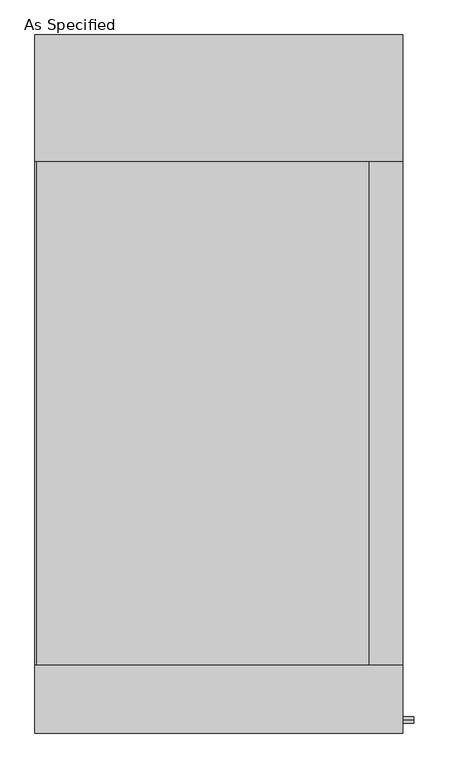
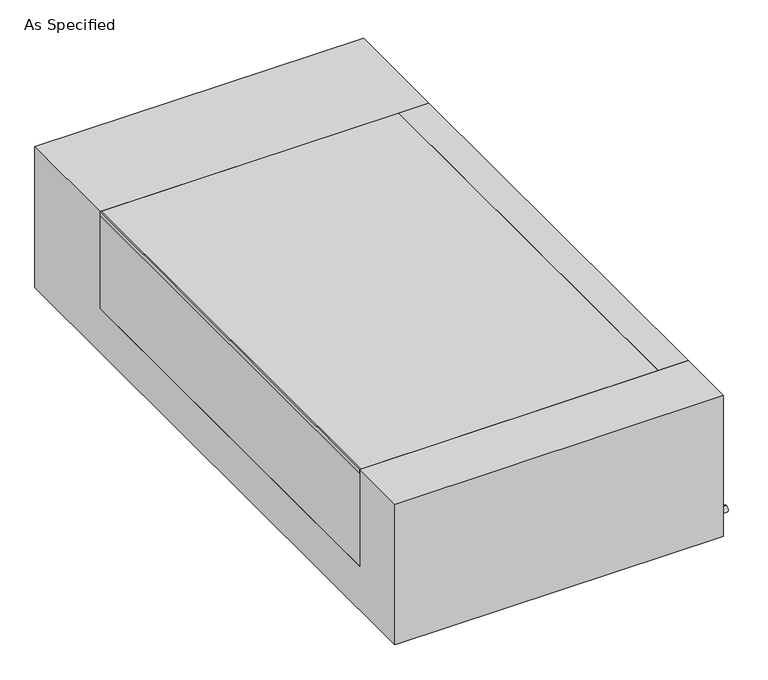
"""IFC4 building model written with IfcOpenShell, lengths in millimetres: proxy geometry, As Specified."""

import ifcopenshell
import ifcopenshell.guid

model = None  # the IFC model being written
_history = None  # IfcOwnerHistory: only IFC2X3 demands one
_inside = {}  # id of a spatial element -> (the spatial element, [elements in it])
_under = {}  # id of a project, library or spatial element -> (it, [spatial elements below it])
_declared = {}  # id of a project -> (the project, [libraries it declares])
_typed = {}  # id of a type object -> (the type object, [elements of that type])
_made_of = {}  # id of a material, layer set ... -> (it, [elements and type objects made of it])


def new_model(schema):
    """Start an empty IFC model of exactly this schema.

    Asked for "IFC4X3", IfcOpenShell would pick the latest addendum, in which some entities
    have other attributes; the version numbers below select the first issue.
    IFC2X3 requires an IfcOwnerHistory on every rooted entity: one is made here for all.
    """
    global model, _history
    if schema == "IFC4X3":
        model = ifcopenshell.file(schema_version=(4, 3, 0, 0))
    else:
        model = ifcopenshell.file(schema=schema)
    _inside.clear()
    _under.clear()
    _declared.clear()
    _typed.clear()
    _made_of.clear()
    _history = None
    if model.schema == "IFC2X3":
        org = make("IfcOrganization", Name="unknown")
        user = make(
            "IfcPersonAndOrganization",
            ThePerson=make("IfcPerson", FamilyName="unknown"),
            TheOrganization=org,
        )
        app = make(
            "IfcApplication",
            ApplicationDeveloper=org,
            Version="unknown",
            ApplicationFullName="unknown",
            ApplicationIdentifier="unknown",
        )
        _history = make(
            "IfcOwnerHistory",
            OwningUser=user,
            OwningApplication=app,
            ChangeAction="ADDED",
            CreationDate=0,
        )
    return model


def make(cls, **values):
    """One entity of the class cls with the attributes given. An attribute that is None is left unset."""
    return model.create_entity(
        cls, **{name: value for name, value in values.items() if value is not None}
    )


def rooted(cls, **values):
    """An entity with a GlobalId (a new one), such as an element, a storey or a relation."""
    return make(cls, GlobalId=ifcopenshell.guid.new(), OwnerHistory=_history, **values)


def si_unit(unit_type, name, prefix=None):
    """IfcSIUnit, for example si_unit("LENGTHUNIT", "METRE", prefix="MILLI")."""
    return make("IfcSIUnit", UnitType=unit_type, Prefix=prefix, Name=name)


def assignment(units):
    """IfcUnitAssignment: the units of a project."""
    return None if units is None else make("IfcUnitAssignment", Units=units)


def point(xyz):
    """IfcCartesianPoint."""
    return None if xyz is None else make("IfcCartesianPoint", Coordinates=xyz)


def direction(xyz):
    """IfcDirection."""
    return None if xyz is None else make("IfcDirection", DirectionRatios=xyz)


def frame(location, z_axis=None, x_axis=None):
    """IfcAxis2Placement3D, a coordinate frame: its origin and axes. An axis left out is left unset."""
    return make(
        "IfcAxis2Placement3D",
        Location=point(location),
        Axis=direction(z_axis),
        RefDirection=direction(x_axis),
    )


def frame_2d(location, x_axis=None):
    """IfcAxis2Placement2D, a coordinate frame in the plane: its origin and x axis."""
    return make(
        "IfcAxis2Placement2D", Location=point(location), RefDirection=direction(x_axis)
    )


def origin():
    """The frame at (0, 0, 0) with its axes left unset."""
    return frame((0.0, 0.0, 0.0))


def place(relative_to, where):
    """IfcLocalPlacement: puts the frame where relative to a parent placement (None: the world)."""
    return make(
        "IfcLocalPlacement", PlacementRelTo=relative_to, RelativePlacement=where
    )


def context(
    kind, dimensions, precision=None, world=None, true_north=None, identifier=None
):
    """IfcGeometricRepresentationContext, for example the 3D "Model" context."""
    return make(
        "IfcGeometricRepresentationContext",
        ContextIdentifier=identifier,
        ContextType=kind,
        CoordinateSpaceDimension=dimensions,
        Precision=precision,
        WorldCoordinateSystem=world,
        TrueNorth=true_north,
    )


def project(units=None, contexts=None):
    """IfcProject with its units and contexts."""
    return rooted(
        "IfcProject",
        Name="project",
        RepresentationContexts=contexts,
        UnitsInContext=assignment(units),
    )


def spatial(cls, under=None, at=None, **own):
    """A site, building, storey or space (cls), placed at a placement, below another one or the project."""
    s = rooted(cls, ObjectPlacement=at, **own)
    if under is not None:
        _under.setdefault(under.id(), (under, []))[1].append(s)
    return s


def polyline(points):
    """IfcPolyline through the points."""
    return make("IfcPolyline", Points=[point(p) for p in points])


def circle_curve(where, radius):
    """IfcCircle in the frame where."""
    return make("IfcCircle", Position=where, Radius=radius)


def trimmed(basis, trim1, trim2, sense, master):
    """IfcTrimmedCurve: the piece of a basis curve between two trims."""
    return make(
        "IfcTrimmedCurve",
        BasisCurve=basis,
        Trim1=trim1,
        Trim2=trim2,
        SenseAgreement=sense,
        MasterRepresentation=master,
    )


def segment(curve, same_sense, transition):
    """IfcCompositeCurveSegment."""
    return make(
        "IfcCompositeCurveSegment",
        Transition=transition,
        SameSense=same_sense,
        ParentCurve=curve,
    )


def composite_curve(segments, self_intersect=None):
    """IfcCompositeCurve: segments joined end to end."""
    return make("IfcCompositeCurve", Segments=segments, SelfIntersect=self_intersect)


def outline(outer, holes=None, kind="AREA"):
    """IfcArbitraryClosedProfileDef: a profile drawn as a closed curve; with holes, ...WithVoids."""
    if holes is None:
        return make("IfcArbitraryClosedProfileDef", ProfileType=kind, OuterCurve=outer)
    return make(
        "IfcArbitraryProfileDefWithVoids",
        ProfileType=kind,
        OuterCurve=outer,
        InnerCurves=holes,
    )


def extrude(swept, where, along, depth):
    """IfcExtrudedAreaSolid: the profile swept, set in the frame where, extruded along a direction by depth."""
    return make(
        "IfcExtrudedAreaSolid",
        SweptArea=swept,
        Position=where,
        ExtrudedDirection=direction(along),
        Depth=depth,
    )


def shape(context_of_items, identifier, shape_type, items):
    """IfcShapeRepresentation: the items that make up one representation, for example the "Body"."""
    return make(
        "IfcShapeRepresentation",
        ContextOfItems=context_of_items,
        RepresentationIdentifier=identifier,
        RepresentationType=shape_type,
        Items=items,
    )


def source(mapping_origin, context_of_items, identifier, shape_type, items):
    """IfcRepresentationMap: a shape defined once, which mapped items show again and again."""
    return make(
        "IfcRepresentationMap",
        MappingOrigin=mapping_origin,
        MappedRepresentation=shape(context_of_items, identifier, shape_type, items),
    )


def transform(
    local_origin,
    x_axis=None,
    y_axis=None,
    z_axis=None,
    scale=None,
    scale2=None,
    scale3=None,
    uniform=True,
):
    """IfcCartesianTransformationOperator3D, or its non-uniform kind. x_axis, y_axis, z_axis: its Axis1, 2, 3."""
    if uniform:
        return make(
            "IfcCartesianTransformationOperator3D",
            Axis1=direction(x_axis),
            Axis2=direction(y_axis),
            LocalOrigin=point(local_origin),
            Scale=scale,
            Axis3=direction(z_axis),
        )
    return make(
        "IfcCartesianTransformationOperator3DnonUniform",
        Axis1=direction(x_axis),
        Axis2=direction(y_axis),
        LocalOrigin=point(local_origin),
        Scale=scale,
        Axis3=direction(z_axis),
        Scale2=scale2,
        Scale3=scale3,
    )


def mapped(mapping_source, mapping_target):
    """IfcMappedItem: shows the shape of a source again, moved by a transform."""
    return make(
        "IfcMappedItem", MappingSource=mapping_source, MappingTarget=mapping_target
    )


def made_of(thing, what):
    """Note that an element or type object is made of a material, layer set ...; save() writes the relation."""
    if what is not None:
        _made_of.setdefault(what.id(), (what, []))[1].append(thing)
    return thing


def element(
    cls,
    number,
    at=None,
    inside=None,
    cuts=None,
    type_object=None,
    material=None,
    context=None,
    identifier="Body",
    shape_type=None,
    held_by="IfcProductDefinitionShape",
    body=None,
    shapes=None,
    **own,
):
    """One element of the class cls, such as IfcWall. Its Tag is "e" and its number.

    at: its placement. inside: the storey or other place that contains it. cuts: it is an
    opening in that element (IfcRelVoidsElement). A single representation is given by context,
    identifier, shape_type and body (its items); several are given by shapes. held_by: the class
    of the entity that holds the representations. save() writes the other relations.
    """
    e = rooted(cls, Tag="e%d" % number, ObjectPlacement=at, **own)
    if body is not None:
        shapes = [shape(context, identifier, shape_type, body)]
    if shapes is not None:
        e.Representation = make(held_by, Representations=shapes)
    if inside is not None:
        _inside.setdefault(inside.id(), (inside, []))[1].append(e)
    if cuts is not None:
        rooted(
            "IfcRelVoidsElement", RelatingBuildingElement=cuts, RelatedOpeningElement=e
        )
    if type_object is not None:
        _typed.setdefault(type_object.id(), (type_object, []))[1].append(e)
    return made_of(e, material)


def aggregate(whole, parts):
    """IfcRelAggregates: a whole, such as a stair, and the parts it consists of."""
    return rooted("IfcRelAggregates", RelatingObject=whole, RelatedObjects=parts)


def save(model, path):
    """Write the relations noted so far, then the file.

    IfcRelAggregates (storeys below a building ...), IfcRelContainedInSpatialStructure (elements
    in a storey), IfcRelDefinesByType, IfcRelAssociatesMaterial and IfcRelDeclares: one each for
    every whole, place, type object, material and project.
    """
    for whole, parts in _under.values():
        aggregate(whole, parts)
    for where, things in _inside.values():
        rooted(
            "IfcRelContainedInSpatialStructure",
            RelatedElements=things,
            RelatingStructure=where,
        )
    for kind, things in _typed.values():
        rooted("IfcRelDefinesByType", RelatedObjects=things, RelatingType=kind)
    for what, things in _made_of.values():
        rooted("IfcRelAssociatesMaterial", RelatedObjects=things, RelatingMaterial=what)
    for by, libraries in _declared.values():
        rooted("IfcRelDeclares", RelatingContext=by, RelatedDefinitions=libraries)
    model.write(path)


def as_specified_5f972e75(model_context):
    return source(origin(), model_context, "Body", "SweptSolid", [
        extrude(outline(composite_curve([segment(trimmed(circle_curve(frame_2d((-1017.5875, -466.725)), 10.5), [point((-1017.5875, -456.225))], [point((-1017.5875, -477.225))], False, "CARTESIAN"), True, "CONTINUOUS"), segment(trimmed(circle_curve(frame_2d((-1017.5875, -466.725)), 10.5), [point((-1017.5875, -477.225))], [point((-1017.5875, -456.225))], False, "CARTESIAN"), True, "CONTINUOUS")], self_intersect=False)), frame((558.00625, 0.0, 0.0), z_axis=(1.0, 0.0, 0.0), x_axis=(0.0, 1.0, 0.0)), (0.0, 0.0, 1.0), 31.8403384),
        extrude(outline(polyline([(454.81875, -850.9), (454.81875, 673.1), (557.2125, 673.1), (557.2125, -850.9), (454.81875, -850.9)])), frame((0.0, 0.0, -373.0625), z_axis=(0.0, 0.0, 1.0), x_axis=(1.0, 0.0, 0.0)), (0.0, 0.0, 1.0), 347.6625),
        extrude(outline(polyline([(-557.2125, 673.1), (-553.24375, 673.1), (-553.24375, -850.9), (-557.2125, -850.9), (-557.2125, 673.1)])), frame((0.0, 0.0, -39.6875), z_axis=(0.0, 0.0, 1.0), x_axis=(1.0, 0.0, 0.0)), (0.0, 0.0, 1.0), 14.2875),
        extrude(outline(polyline([(454.81875, 673.1), (454.81875, -850.9), (-557.2125, -850.9), (-557.2125, 673.1), (454.81875, 673.1)])), frame((0.0, 0.0, -373.0625), z_axis=(0.0, 0.0, 1.0), x_axis=(1.0, 0.0, 0.0)), (0.0, 0.0, 1.0), 347.6625),
        extrude(outline(polyline([(1057.275, -25.4), (1057.275, -530.225), (-1057.275, -530.225), (-1057.275, -25.4), (-850.9, -25.4), (-850.9, -373.0625), (673.1, -373.0625), (673.1, -25.4), (1057.275, -25.4)])), frame((-557.2125, 0.0, 0.0), z_axis=(1.0, 0.0, 0.0), x_axis=(0.0, 1.0, 0.0)), (0.0, 0.0, 1.0), 1114.425),
    ])


if __name__ == "__main__":
    model = new_model("IFC4")
    model_context = context("Model", 3, world=origin())
    ifc_project = project(units=[si_unit("LENGTHUNIT", "METRE", prefix="MILLI")], contexts=[model_context])
    site = spatial("IfcSite", under=ifc_project)
    building = spatial("IfcBuilding", under=site)
    placement = place(None, origin())
    as_specified_shape = as_specified_5f972e75(model_context)
    element("IfcBuildingElementProxy", 1, Name="As Specified", ObjectType="As Specified", at=placement, inside=building, context=model_context, shape_type="MappedRepresentation", body=[
        mapped(as_specified_shape, transform((0.0, 0.0, 0.0), x_axis=(1.0, 0.0, 0.0), y_axis=(0.0, 1.0, 0.0), z_axis=(0.0, 0.0, 1.0))),
    ])
    save(model, "model.ifc")
